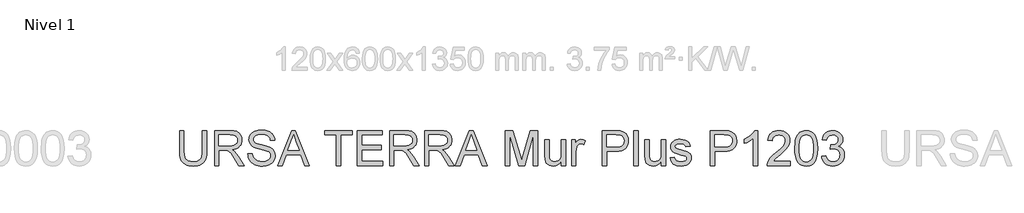
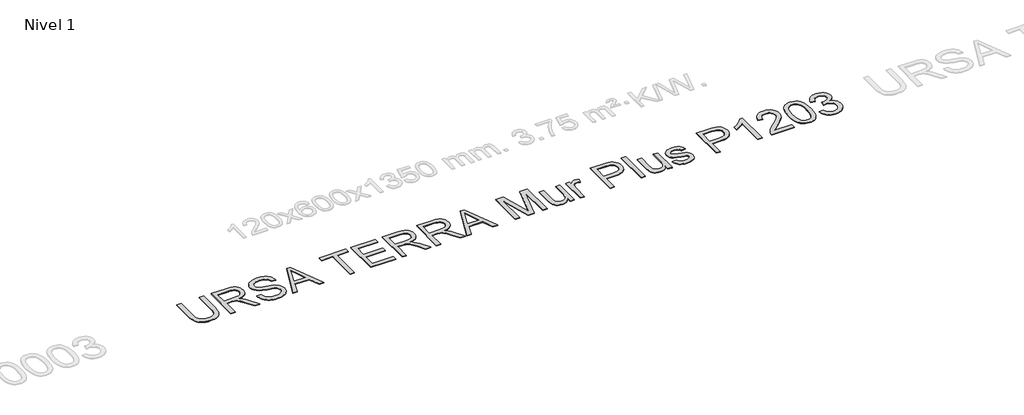
# One storey, part 8 of 15: 1 proxy.
"""IFC4 building model written with IfcOpenShell, lengths in millimetres."""

import ifcopenshell
import ifcopenshell.guid

model = None  # the IFC model being written
_history = None  # IfcOwnerHistory: only IFC2X3 demands one
_inside = {}  # id of a spatial element -> (the spatial element, [elements in it])
_under = {}  # id of a project, library or spatial element -> (it, [spatial elements below it])
_declared = {}  # id of a project -> (the project, [libraries it declares])
_typed = {}  # id of a type object -> (the type object, [elements of that type])
_made_of = {}  # id of a material, layer set ... -> (it, [elements and type objects made of it])


def new_model(schema):
    """Start an empty IFC model of exactly this schema.

    Asked for "IFC4X3", IfcOpenShell would pick the latest addendum, in which some entities
    have other attributes; the version numbers below select the first issue.
    IFC2X3 requires an IfcOwnerHistory on every rooted entity: one is made here for all.
    """
    global model, _history
    if schema == "IFC4X3":
        model = ifcopenshell.file(schema_version=(4, 3, 0, 0))
    else:
        model = ifcopenshell.file(schema=schema)
    _inside.clear()
    _under.clear()
    _declared.clear()
    _typed.clear()
    _made_of.clear()
    _history = None
    if model.schema == "IFC2X3":
        org = make("IfcOrganization", Name="unknown")
        user = make(
            "IfcPersonAndOrganization",
            ThePerson=make("IfcPerson", FamilyName="unknown"),
            TheOrganization=org,
        )
        app = make(
            "IfcApplication",
            ApplicationDeveloper=org,
            Version="unknown",
            ApplicationFullName="unknown",
            ApplicationIdentifier="unknown",
        )
        _history = make(
            "IfcOwnerHistory",
            OwningUser=user,
            OwningApplication=app,
            ChangeAction="ADDED",
            CreationDate=0,
        )
    return model


def make(cls, **values):
    """One entity of the class cls with the attributes given. An attribute that is None is left unset."""
    return model.create_entity(
        cls, **{name: value for name, value in values.items() if value is not None}
    )


def rooted(cls, **values):
    """An entity with a GlobalId (a new one), such as an element, a storey or a relation."""
    return make(cls, GlobalId=ifcopenshell.guid.new(), OwnerHistory=_history, **values)


def si_unit(unit_type, name, prefix=None):
    """IfcSIUnit, for example si_unit("LENGTHUNIT", "METRE", prefix="MILLI")."""
    return make("IfcSIUnit", UnitType=unit_type, Prefix=prefix, Name=name)


def assignment(units):
    """IfcUnitAssignment: the units of a project."""
    return None if units is None else make("IfcUnitAssignment", Units=units)


def point(xyz):
    """IfcCartesianPoint."""
    return None if xyz is None else make("IfcCartesianPoint", Coordinates=xyz)


def direction(xyz):
    """IfcDirection."""
    return None if xyz is None else make("IfcDirection", DirectionRatios=xyz)


def frame(location, z_axis=None, x_axis=None):
    """IfcAxis2Placement3D, a coordinate frame: its origin and axes. An axis left out is left unset."""
    return make(
        "IfcAxis2Placement3D",
        Location=point(location),
        Axis=direction(z_axis),
        RefDirection=direction(x_axis),
    )


def origin():
    """The frame at (0, 0, 0) with its axes left unset."""
    return frame((0.0, 0.0, 0.0))


def origin_with_axes():
    """The frame at (0, 0, 0) with the z axis (0, 0, 1) and the x axis (1, 0, 0) written out."""
    return frame((0.0, 0.0, 0.0), z_axis=(0.0, 0.0, 1.0), x_axis=(1.0, 0.0, 0.0))


def place(relative_to, where):
    """IfcLocalPlacement: puts the frame where relative to a parent placement (None: the world)."""
    return make(
        "IfcLocalPlacement", PlacementRelTo=relative_to, RelativePlacement=where
    )


def context(
    kind, dimensions, precision=None, world=None, true_north=None, identifier=None
):
    """IfcGeometricRepresentationContext, for example the 3D "Model" context."""
    return make(
        "IfcGeometricRepresentationContext",
        ContextIdentifier=identifier,
        ContextType=kind,
        CoordinateSpaceDimension=dimensions,
        Precision=precision,
        WorldCoordinateSystem=world,
        TrueNorth=true_north,
    )


def project(units=None, contexts=None):
    """IfcProject with its units and contexts."""
    return rooted(
        "IfcProject",
        Name="project",
        RepresentationContexts=contexts,
        UnitsInContext=assignment(units),
    )


def spatial(cls, under=None, at=None, **own):
    """A site, building, storey or space (cls), placed at a placement, below another one or the project."""
    s = rooted(cls, ObjectPlacement=at, **own)
    if under is not None:
        _under.setdefault(under.id(), (under, []))[1].append(s)
    return s


def polyline(points):
    """IfcPolyline through the points."""
    return make("IfcPolyline", Points=[point(p) for p in points])


def outline(outer, holes=None, kind="AREA"):
    """IfcArbitraryClosedProfileDef: a profile drawn as a closed curve; with holes, ...WithVoids."""
    if holes is None:
        return make("IfcArbitraryClosedProfileDef", ProfileType=kind, OuterCurve=outer)
    return make(
        "IfcArbitraryProfileDefWithVoids",
        ProfileType=kind,
        OuterCurve=outer,
        InnerCurves=holes,
    )


def extrude(swept, where, along, depth):
    """IfcExtrudedAreaSolid: the profile swept, set in the frame where, extruded along a direction by depth."""
    return make(
        "IfcExtrudedAreaSolid",
        SweptArea=swept,
        Position=where,
        ExtrudedDirection=direction(along),
        Depth=depth,
    )


def shape(context_of_items, identifier, shape_type, items):
    """IfcShapeRepresentation: the items that make up one representation, for example the "Body"."""
    return make(
        "IfcShapeRepresentation",
        ContextOfItems=context_of_items,
        RepresentationIdentifier=identifier,
        RepresentationType=shape_type,
        Items=items,
    )


def made_of(thing, what):
    """Note that an element or type object is made of a material, layer set ...; save() writes the relation."""
    if what is not None:
        _made_of.setdefault(what.id(), (what, []))[1].append(thing)
    return thing


def element(
    cls,
    number,
    at=None,
    inside=None,
    cuts=None,
    type_object=None,
    material=None,
    context=None,
    identifier="Body",
    shape_type=None,
    held_by="IfcProductDefinitionShape",
    body=None,
    shapes=None,
    **own,
):
    """One element of the class cls, such as IfcWall. Its Tag is "e" and its number.

    at: its placement. inside: the storey or other place that contains it. cuts: it is an
    opening in that element (IfcRelVoidsElement). A single representation is given by context,
    identifier, shape_type and body (its items); several are given by shapes. held_by: the class
    of the entity that holds the representations. save() writes the other relations.
    """
    e = rooted(cls, Tag="e%d" % number, ObjectPlacement=at, **own)
    if body is not None:
        shapes = [shape(context, identifier, shape_type, body)]
    if shapes is not None:
        e.Representation = make(held_by, Representations=shapes)
    if inside is not None:
        _inside.setdefault(inside.id(), (inside, []))[1].append(e)
    if cuts is not None:
        rooted(
            "IfcRelVoidsElement", RelatingBuildingElement=cuts, RelatedOpeningElement=e
        )
    if type_object is not None:
        _typed.setdefault(type_object.id(), (type_object, []))[1].append(e)
    return made_of(e, material)


def aggregate(whole, parts):
    """IfcRelAggregates: a whole, such as a stair, and the parts it consists of."""
    return rooted("IfcRelAggregates", RelatingObject=whole, RelatedObjects=parts)


def save(model, path):
    """Write the relations noted so far, then the file.

    IfcRelAggregates (storeys below a building ...), IfcRelContainedInSpatialStructure (elements
    in a storey), IfcRelDefinesByType, IfcRelAssociatesMaterial and IfcRelDeclares: one each for
    every whole, place, type object, material and project.
    """
    for whole, parts in _under.values():
        aggregate(whole, parts)
    for where, things in _inside.values():
        rooted(
            "IfcRelContainedInSpatialStructure",
            RelatedElements=things,
            RelatingStructure=where,
        )
    for kind, things in _typed.values():
        rooted("IfcRelDefinesByType", RelatedObjects=things, RelatingType=kind)
    for what, things in _made_of.values():
        rooted("IfcRelAssociatesMaterial", RelatedObjects=things, RelatingMaterial=what)
    for by, libraries in _declared.values():
        rooted("IfcRelDeclares", RelatingContext=by, RelatedDefinitions=libraries)
    model.write(path)


model = new_model("IFC4")

# Units and contexts
model_context = context("Model", 3, world=origin())
ifc_project = project(units=[si_unit("LENGTHUNIT", "METRE", prefix="MILLI")], contexts=[model_context])

# Site, building, storey
site = spatial("IfcSite", under=ifc_project)
building = spatial("IfcBuilding", under=site)
storey = spatial("IfcBuildingStorey", under=building, Name="Nivel 1", Elevation=0.0)

# Proxy
placement = place(None, origin())
element("IfcBuildingElementProxy", 1, Name="Texto de modelo 3", ObjectType="Texto de modelo 3", at=placement, inside=storey, context=model_context, shape_type="SweptSolid", body=[
    extrude(outline(polyline([(-14672.8884519, -13823.3522814), (-14597.5462193, -13823.3522814), (-14597.5462193, -14171.0743432), (-14602.6597791, -14252.5050228), (-14609.0517287, -14286.1984151), (-14618.0004583, -14315.2105089), (-14630.2785198, -14340.6403518), (-14646.6584657, -14363.5869913), (-14667.1402958, -14384.0504273), (-14691.7240101, -14402.0306598), (-14720.4371998, -14416.6769617), (-14753.3074561, -14427.1386059), (-14790.3347789, -14433.4155925), (-14831.5191683, -14435.5079213), (-14871.6872836, -14433.6869055), (-14908.0202292, -14428.2238578), (-14940.5180049, -14419.1187784), (-14969.1806108, -14406.3716673), (-14994.0126455, -14390.1710639), (-15015.0187074, -14370.7055079), (-15032.1987966, -14347.9749991), (-15045.552913, -14321.9795376), (-15055.5639018, -14291.8270096), (-15062.7146081, -14256.6253012), (-15067.0050319, -14216.3744124), (-15068.4351731, -14171.0743432), (-15068.4351731, -13823.3522814), (-14993.0929405, -13823.3522814), (-14993.0929405, -14168.4255928), (-14989.3773324, -14236.134274), (-14978.2305079, -14283.2783517), (-14969.4657194, -14300.6561775), (-14958.0337864, -14315.9278788), (-14943.9347089, -14329.0934557), (-14927.168487, -14340.1529082), (-14886.9221967, -14355.1624936), (-14838.5825026, -14360.1656887), (-14797.0578224, -14357.6916823), (-14761.952683, -14350.269663), (-14733.2670844, -14337.899631), (-14711.0010266, -14320.581586), (-14694.3267752, -14296.227798), (-14682.4165956, -14262.7505364), (-14675.2704879, -14220.1498014), (-14672.8884519, -14168.4255928), (-14672.8884519, -13823.3522814)])), origin_with_axes(), (0.0, 0.0, 1.0), 10.0),
    extrude(outline(polyline([(-14465.6973122, -14426.0901423), (-14465.6973122, -13823.3522814), (-14205.9726237, -13823.3522814), (-14136.1670151, -13827.4173774), (-14085.3809056, -13839.6126655), (-14065.7819923, -13849.3063561), (-14048.2616123, -13862.1270436), (-14032.8197656, -13878.0747281), (-14019.4564521, -13897.1494096), (-14008.6729111, -13918.3256169), (-14000.9703818, -13940.5778791), (-13996.3488643, -13963.9061961), (-13994.8083584, -13988.310568), (-13997.3605398, -14019.2678379), (-14005.0170838, -14047.686722), (-14017.7779905, -14073.5672204), (-14035.6432599, -14096.909333), (-14058.8428182, -14116.9680988), (-14087.6065917, -14132.9985567), (-14121.9345804, -14145.0007068), (-14161.8267842, -14152.974549), (-14136.9947496, -14169.198145), (-14119.00532, -14185.2010118), (-14088.1400206, -14221.8052703), (-14057.9369088, -14262.7505364), (-13957.4315477, -14426.0901423), (-14044.9874626, -14426.0901423), (-14123.4199039, -14301.1574167), (-14180.0737312, -14218.4575442), (-14201.1349754, -14194.3428794), (-14219.8785631, -14179.3884763), (-14255.7102694, -14165.0410785), (-14299.4146504, -14162.3923281), (-14390.3550796, -14162.3923281), (-14390.3550796, -14426.0901423), (-14465.6973122, -14426.0901423)]), holes=[polyline([(-14390.3550796, -14087.0500955), (-14221.717973, -14087.0500955), (-14173.2863084, -14084.382951), (-14135.7071626, -14076.3815176), (-14107.4170371, -14062.5123664), (-14086.8524336, -14042.2420685), (-14074.3260517, -14017.7227335), (-14070.150591, -13991.1064712), (-14072.1417523, -13971.8386517), (-14078.1152362, -13954.3550598), (-14088.0710427, -13938.6556957), (-14102.0091718, -13924.7405592), (-14120.2515203, -13913.3454144), (-14143.1199848, -13905.2060253), (-14170.6145654, -13900.3223918), (-14202.7352621, -13898.694514), (-14390.3550796, -13898.694514), (-14390.3550796, -14087.0500955)])]), origin_with_axes(), (0.0, 0.0, 1.0), 10.0),
    extrude(outline(polyline([(-13891.2127886, -14218.8990026), (-13815.870556, -14218.8990026), (-13807.2253291, -14260.7087913), (-13791.5903443, -14294.3148116), (-13767.199768, -14320.9862562), (-13732.2877667, -14341.9923182), (-13689.6134552, -14355.6223461), (-13641.9359486, -14360.1656887), (-13599.960613, -14356.7259921), (-13563.2092017, -14346.4069021), (-13533.4291542, -14330.0729415), (-13512.3679099, -14308.588633), (-13499.841528, -14283.9221452), (-13495.6660674, -14258.0416469), (-13498.7930643, -14232.8233361), (-13508.1740552, -14211.0263279), (-13527.2303426, -14192.429893), (-13559.3832289, -14176.8133023), (-13669.0856399, -14148.0449303), (-13741.0985404, -14129.007037), (-13787.1757603, -14110.8888488), (-13824.6813298, -14085.5417793), (-13851.2608039, -14054.8236327), (-13867.0981238, -14019.3965966), (-13872.3772304, -13979.9228585), (-13870.7447541, -13957.4866553), (-13865.847325, -13935.7954132), (-13857.6849432, -13914.8491321), (-13846.2576088, -13894.647812), (-13831.6940803, -13876.014589), (-13814.1231165, -13859.7725989), (-13793.5447174, -13845.9218418), (-13769.958883, -13834.4623176), (-13716.9470875, -13819.0664561), (-13658.2699092, -13813.9345023), (-13594.6999005, -13819.3055794), (-13539.0761428, -13835.4188108), (-13514.7407488, -13847.4209609), (-13493.385199, -13861.9431027), (-13475.0094933, -13878.9852361), (-13459.6136318, -13898.5473612), (-13447.3171762, -13920.0592608), (-13438.2396879, -13942.950718), (-13432.3811671, -13967.2217326), (-13429.7416138, -13992.8723047), (-13505.0838464, -13992.8723047), (-13510.1238298, -13968.8312163), (-13518.9162095, -13947.9171249), (-13531.4609855, -13930.1300305), (-13547.7581579, -13915.4699329), (-13568.1112293, -13904.0104088), (-13592.8237023, -13895.8250344), (-13621.895577, -13890.9138098), (-13655.3268533, -13889.2767349), (-13689.8249874, -13890.8954157), (-13719.3015322, -13895.751458), (-13743.7564879, -13903.8448619), (-13763.1898543, -13915.1756274), (-13777.9971046, -13928.7964582), (-13788.5737119, -13943.7600584), (-13794.9196763, -13960.0664278), (-13797.0349978, -13977.7155665), (-13795.5358787, -13992.8998959), (-13791.0385213, -14006.6678796), (-13783.5429256, -14019.0195175), (-13773.0490917, -14029.9548098), (-13756.5311901, -14040.310688), (-13730.5219331, -14050.7769308), (-13650.0293525, -14072.0405101), (-13566.961598, -14092.2372316), (-13516.7089175, -14109.8587792), (-13473.7586946, -14137.1924114), (-13457.153421, -14153.2596576), (-13443.794706, -14170.9271904), (-13433.5261999, -14190.1030394), (-13426.1915526, -14210.6952341), (-13420.3238348, -14256.1286605), (-13422.0114934, -14279.6961008), (-13427.0744694, -14302.5737624), (-13435.5127626, -14324.7616452), (-13447.3263732, -14346.2597493), (-13462.3083675, -14366.2357416), (-13480.2518118, -14383.8572892), (-13501.1567061, -14399.124392), (-13525.0230506, -14412.03705), (-13551.1564678, -14422.3055562), (-13578.8625806, -14429.6402035), (-13638.9928927, -14435.5079213), (-13677.5331302, -14433.9260288), (-13712.808415, -14429.180351), (-13744.8187471, -14421.2708881), (-13773.5641265, -14410.1976401), (-13799.2192972, -14395.9422127), (-13821.959003, -14378.4862121), (-13841.783244, -14357.829638), (-13858.6920202, -14333.9724907), (-13872.3128511, -14307.6873221), (-13882.2732561, -14279.7466846), (-13888.5732353, -14250.1505781), (-13891.2127886, -14218.8990026)])), origin_with_axes(), (0.0, 0.0, 1.0), 10.0),
    extrude(outline(polyline([(-13377.5023705, -14426.0901423), (-13136.9075457, -13823.3522814), (-13072.7489257, -13823.3522814), (-12832.1541009, -14426.0901423), (-12911.7637646, -14426.0901423), (-12980.7784269, -14237.7345607), (-13229.0251973, -14237.7345607), (-13297.8927068, -14426.0901423), (-13377.5023705, -14426.0901423)]), holes=[polyline([(-13201.3604712, -14162.3923281), (-13008.2960002, -14162.3923281), (-13062.5953826, -14014.2094605), (-13104.8282357, -13898.694514), (-13142.3521992, -14001.2600142), (-13201.3604712, -14162.3923281)])]), origin_with_axes(), (0.0, 0.0, 1.0), 10.0),
    extrude(outline(polyline([(-12365.5325782, -14426.0901423), (-12365.5325782, -13898.694514), (-12563.3059388, -13898.694514), (-12563.3059388, -13823.3522814), (-12092.416985, -13823.3522814), (-12092.416985, -13898.694514), (-12290.1903456, -13898.694514), (-12290.1903456, -14426.0901423), (-12365.5325782, -14426.0901423)])), origin_with_axes(), (0.0, 0.0, 1.0), 10.0),
    extrude(outline(polyline([(-12007.6569733, -14426.0901423), (-12007.6569733, -13823.3522814), (-11574.4391358, -13823.3522814), (-11574.4391358, -13898.694514), (-11932.3147407, -13898.694514), (-11932.3147407, -14077.6323164), (-11593.2746939, -14077.6323164), (-11593.2746939, -14152.974549), (-11932.3147407, -14152.974549), (-11932.3147407, -14350.7479096), (-11565.0213567, -14350.7479096), (-11565.0213567, -14426.0901423), (-12007.6569733, -14426.0901423)])), origin_with_axes(), (0.0, 0.0, 1.0), 10.0),
    extrude(outline(polyline([(-11452.0080078, -14426.0901423), (-11452.0080078, -13823.3522814), (-11192.2833192, -13823.3522814), (-11122.4777106, -13827.4173774), (-11071.6916011, -13839.6126655), (-11052.0926879, -13849.3063561), (-11034.5723078, -13862.1270436), (-11019.1304611, -13878.0747281), (-11005.7671476, -13897.1494096), (-10994.9836066, -13918.3256169), (-10987.2810774, -13940.5778791), (-10982.6595598, -13963.9061961), (-10981.1190539, -13988.310568), (-10983.6712353, -14019.2678379), (-10991.3277793, -14047.686722), (-11004.088686, -14073.5672204), (-11021.9539554, -14096.909333), (-11045.1535137, -14116.9680988), (-11073.9172872, -14132.9985567), (-11108.2452759, -14145.0007068), (-11148.1374797, -14152.974549), (-11123.3054451, -14169.198145), (-11105.3160155, -14185.2010118), (-11074.4507161, -14221.8052703), (-11044.2476043, -14262.7505364), (-10943.7422432, -14426.0901423), (-11031.2981581, -14426.0901423), (-11109.7305994, -14301.1574167), (-11166.3844267, -14218.4575442), (-11187.4456709, -14194.3428794), (-11206.1892586, -14179.3884763), (-11242.0209649, -14165.0410785), (-11285.7253459, -14162.3923281), (-11376.6657751, -14162.3923281), (-11376.6657751, -14426.0901423), (-11452.0080078, -14426.0901423)]), holes=[polyline([(-11376.6657751, -14087.0500955), (-11208.0286686, -14087.0500955), (-11159.5970039, -14084.382951), (-11122.0178581, -14076.3815176), (-11093.7277327, -14062.5123664), (-11073.1631291, -14042.2420685), (-11060.6367472, -14017.7227335), (-11056.4612865, -13991.1064712), (-11058.4524478, -13971.8386517), (-11064.4259317, -13954.3550598), (-11074.3817382, -13938.6556957), (-11088.3198673, -13924.7405592), (-11106.5622158, -13913.3454144), (-11129.4306803, -13905.2060253), (-11156.9252609, -13900.3223918), (-11189.0459576, -13898.694514), (-11376.6657751, -13898.694514), (-11376.6657751, -14087.0500955)])]), origin_with_axes(), (0.0, 0.0, 1.0), 10.0),
    extrude(outline(polyline([(-10849.2701469, -14426.0901423), (-10849.2701469, -13823.3522814), (-10589.5454583, -13823.3522814), (-10519.7398497, -13827.4173774), (-10468.9537402, -13839.6126655), (-10449.354827, -13849.3063561), (-10431.8344469, -13862.1270436), (-10416.3926002, -13878.0747281), (-10403.0292867, -13897.1494096), (-10392.2457457, -13918.3256169), (-10384.5432165, -13940.5778791), (-10379.9216989, -13963.9061961), (-10378.381193, -13988.310568), (-10380.9333744, -14019.2678379), (-10388.5899184, -14047.686722), (-10401.3508251, -14073.5672204), (-10419.2160945, -14096.909333), (-10442.4156528, -14116.9680988), (-10471.1794263, -14132.9985567), (-10505.507415, -14145.0007068), (-10545.3996188, -14152.974549), (-10520.5675842, -14169.198145), (-10502.5781546, -14185.2010118), (-10471.7128552, -14221.8052703), (-10441.5097434, -14262.7505364), (-10341.0043823, -14426.0901423), (-10428.5602972, -14426.0901423), (-10506.9927386, -14301.1574167), (-10563.6465658, -14218.4575442), (-10584.70781, -14194.3428794), (-10603.4513977, -14179.3884763), (-10639.283104, -14165.0410785), (-10682.987485, -14162.3923281), (-10773.9279143, -14162.3923281), (-10773.9279143, -14426.0901423), (-10849.2701469, -14426.0901423)]), holes=[polyline([(-10773.9279143, -14087.0500955), (-10605.2908077, -14087.0500955), (-10556.859143, -14084.382951), (-10519.2799972, -14076.3815176), (-10490.9898718, -14062.5123664), (-10470.4252682, -14042.2420685), (-10457.8988863, -14017.7227335), (-10453.7234256, -13991.1064712), (-10455.7145869, -13971.8386517), (-10461.6880708, -13954.3550598), (-10471.6438773, -13938.6556957), (-10485.5820064, -13924.7405592), (-10503.8243549, -13913.3454144), (-10526.6928194, -13905.2060253), (-10554.1874, -13900.3223918), (-10586.3080967, -13898.694514), (-10773.9279143, -13898.694514), (-10773.9279143, -14087.0500955)])]), origin_with_axes(), (0.0, 0.0, 1.0), 10.0),
    extrude(outline(polyline([(-10316.7241706, -14426.0901423), (-10076.1293458, -13823.3522814), (-10011.9707258, -13823.3522814), (-9771.375901, -14426.0901423), (-9850.9855648, -14426.0901423), (-9920.000227, -14237.7345607), (-10168.2469974, -14237.7345607), (-10237.1145069, -14426.0901423), (-10316.7241706, -14426.0901423)]), holes=[polyline([(-10140.5822714, -14162.3923281), (-9947.5178003, -14162.3923281), (-10001.8171828, -14014.2094605), (-10044.0500358, -13898.694514), (-10081.5739993, -14001.2600142), (-10140.5822714, -14162.3923281)])]), origin_with_axes(), (0.0, 0.0, 1.0), 10.0),
    extrude(outline(polyline([(-9455.4388435, -14426.0901423), (-9455.4388435, -13823.3522814), (-9325.7972284, -13823.3522814), (-9202.4831837, -14248.1824094), (-9177.6143608, -14336.9155466), (-9150.6853987, -14240.8247695), (-9029.4314931, -13823.3522814), (-8899.789878, -13823.3522814), (-8899.789878, -14426.0901423), (-8975.1321106, -14426.0901423), (-8975.1321106, -13898.694514), (-9126.5523398, -14426.0901423), (-9228.6763817, -14426.0901423), (-9380.0966109, -13898.694514), (-9380.0966109, -14426.0901423), (-9455.4388435, -14426.0901423)])), origin_with_axes(), (0.0, 0.0, 1.0), 10.0),
    extrude(outline(polyline([(-8494.8253777, -14426.0901423), (-8494.8253777, -14350.0121457), (-8522.0854336, -14387.4165475), (-8553.8336498, -14414.1339774), (-8590.0700263, -14430.1644354), (-8630.7945631, -14435.5079213), (-8667.4907922, -14431.755525), (-8701.6486354, -14420.4983359), (-8730.3066428, -14403.5757641), (-8750.5033644, -14382.8272196), (-8764.0966041, -14357.627303), (-8772.9441661, -14327.3506147), (-8777.35875, -14257.3058829), (-8777.35875, -13983.4545257), (-8702.0165174, -13983.4545257), (-8702.0165174, -14221.8420585), (-8700.8760832, -14269.5195651), (-8697.4547807, -14298.6558191), (-8686.4735031, -14324.2788001), (-8667.6563391, -14343.7581517), (-8642.2540873, -14356.0638045), (-8611.5175466, -14360.1656887), (-8579.0151723, -14355.971834), (-8548.6097254, -14343.3902697), (-8523.5385675, -14323.5798243), (-8507.03906, -14297.6993259), (-8497.8787983, -14262.2538957), (-8494.8253777, -14213.7486546), (-8494.8253777, -13983.4545257), (-8419.4831451, -13983.4545257), (-8419.4831451, -14426.0901423), (-8494.8253777, -14426.0901423)])), origin_with_axes(), (0.0, 0.0, 1.0), 10.0),
    extrude(outline(polyline([(-8315.8875753, -14426.0901423), (-8315.8875753, -13983.4545257), (-8249.9631217, -13983.4545257), (-8249.9631217, -14048.9375208), (-8225.6093337, -14010.9720989), (-8203.168532, -13988.6048736), (-8180.6541539, -13977.6787783), (-8156.0796366, -13974.0367466), (-8118.5556731, -13979.8492821), (-8080.4430984, -13997.2868887), (-8105.6062268, -14064.830023), (-8132.0937305, -14053.2417401), (-8158.5812341, -14049.3789792), (-8181.0772181, -14053.0945873), (-8201.1819692, -14064.2414118), (-8217.4239593, -14081.973324), (-8228.3316604, -14105.4441953), (-8237.4919221, -14147.5298955), (-8240.5453427, -14193.4415685), (-8240.5453427, -14426.0901423), (-8315.8875753, -14426.0901423)])), origin_with_axes(), (0.0, 0.0, 1.0), 10.0),
    extrude(outline(polyline([(-7788.491947, -14426.0901423), (-7788.491947, -13823.3522814), (-7565.1139995, -13823.3522814), (-7513.0954854, -13824.7870211), (-7475.0564871, -13829.0912405), (-7434.9021673, -13839.8150006), (-7401.8479701, -13857.2710013), (-7375.2317077, -13882.2501888), (-7354.3911927, -13915.5435093), (-7340.9267117, -13954.8149123), (-7336.4385513, -13997.7283471), (-7339.4689793, -14034.7280787), (-7348.5602631, -14068.7663603), (-7363.7124027, -14099.8431919), (-7384.9253983, -14127.9585734), (-7414.0478567, -14151.2638978), (-7452.9283851, -14167.910558), (-7501.5669834, -14177.8985542), (-7559.9636516, -14181.2278863), (-7713.1497144, -14181.2278863), (-7713.1497144, -14426.0901423), (-7788.491947, -14426.0901423)]), holes=[polyline([(-7713.1497144, -14105.8856537), (-7555.5490676, -14105.8856537), (-7519.3126911, -14104.1566083), (-7488.7416973, -14098.9694721), (-7463.8360862, -14090.3242453), (-7444.5958579, -14078.2209276), (-7430.239263, -14062.981416), (-7419.9845524, -14044.9276071), (-7413.8317261, -14024.0595009), (-7411.7807839, -14000.3770974), (-7416.6184322, -13966.5319539), (-7431.1313769, -13937.9843111), (-7453.5169963, -13916.5000025), (-7481.9726686, -13903.8448619), (-7511.0353462, -13899.982101), (-7557.3149012, -13898.694514), (-7713.1497144, -13898.694514), (-7713.1497144, -14105.8856537)])]), origin_with_axes(), (0.0, 0.0, 1.0), 10.0),
    extrude(outline(polyline([(-7242.2607606, -14426.0901423), (-7242.2607606, -13823.3522814), (-7166.9185279, -13823.3522814), (-7166.9185279, -14426.0901423), (-7242.2607606, -14426.0901423)])), origin_with_axes(), (0.0, 0.0, 1.0), 10.0),
    extrude(outline(polyline([(-6771.3718067, -14426.0901423), (-6771.3718067, -14350.0121457), (-6798.6318626, -14387.4165475), (-6830.3800788, -14414.1339774), (-6866.6164553, -14430.1644354), (-6907.3409921, -14435.5079213), (-6944.0372212, -14431.755525), (-6978.1950644, -14420.4983359), (-7006.8530718, -14403.5757641), (-7027.0497934, -14382.8272196), (-7040.6430331, -14357.627303), (-7049.4905951, -14327.3506147), (-7053.905179, -14257.3058829), (-7053.905179, -13983.4545257), (-6978.5629464, -13983.4545257), (-6978.5629464, -14221.8420585), (-6977.4225122, -14269.5195651), (-6974.0012097, -14298.6558191), (-6963.0199321, -14324.2788001), (-6944.2027681, -14343.7581517), (-6918.8005163, -14356.0638045), (-6888.0639756, -14360.1656887), (-6855.5616013, -14355.971834), (-6825.1561544, -14343.3902697), (-6800.0849965, -14323.5798243), (-6783.585489, -14297.6993259), (-6774.4252273, -14262.2538957), (-6771.3718067, -14213.7486546), (-6771.3718067, -13983.4545257), (-6696.0295741, -13983.4545257), (-6696.0295741, -14426.0901423), (-6771.3718067, -14426.0901423)])), origin_with_axes(), (0.0, 0.0, 1.0), 10.0),
    extrude(outline(polyline([(-6620.6873415, -14294.2412352), (-6545.3451089, -14284.8234561), (-6540.7925692, -14302.0035453), (-6533.4625204, -14317.0499189), (-6523.3549626, -14329.9625769), (-6510.4698957, -14340.7415194), (-6494.7705316, -14349.2395935), (-6476.220082, -14355.3096464), (-6430.5659264, -14360.1656887), (-6385.4635938, -14355.7143166), (-6367.9340167, -14350.1501014), (-6353.7521658, -14342.3602002), (-6334.990184, -14323.0096072), (-6330.2996886, -14312.1754824), (-6328.7361901, -14300.5688055), (-6330.3088857, -14290.3968683), (-6335.0269722, -14281.3653654), (-6353.8993186, -14266.7236619), (-6382.1158676, -14257.1587301), (-6431.4488432, -14245.2393534), (-6500.2059881, -14225.3553316), (-6544.9036505, -14208.3775775), (-6573.6168402, -14189.8547191), (-6594.420567, -14165.3353841), (-6607.0573136, -14136.3830711), (-6611.2695624, -14104.5612785), (-6607.8850481, -14075.3698422), (-6597.731505, -14048.422486), (-6581.7286382, -14024.7860678), (-6560.7961527, -14005.5274454), (-6539.9924259, -13993.4057336), (-6512.8979169, -13983.2337965), (-6481.572765, -13976.3360091), (-6448.0771094, -13974.0367466), (-6399.0384394, -13977.7339606), (-6356.4009162, -13988.8256028), (-6322.1143142, -14006.2264212), (-6298.1284081, -14028.8511639), (-6282.2359059, -14058.373694), (-6272.2295157, -14096.4678746), (-6347.5717483, -14105.8856537), (-6357.0814979, -14082.1756591), (-6375.8986619, -14064.3149882), (-6404.2071814, -14053.1129814), (-6442.1909974, -14049.3789792), (-6485.4539201, -14052.9474345), (-6514.2958685, -14063.6528006), (-6530.5194645, -14079.1038444), (-6535.9273298, -14096.909333), (-6533.6832496, -14108.4976158), (-6526.9510091, -14118.8350999), (-6515.4363027, -14128.068938), (-6498.8448247, -14135.4633661), (-6433.9504408, -14151.5030211), (-6323.365113, -14186.9668454), (-6294.1552826, -14203.9262054), (-6272.0087865, -14227.1395593), (-6258.0476648, -14256.6804835), (-6253.3939575, -14292.6225544), (-6258.8570051, -14329.7786359), (-6275.246148, -14364.7274255), (-6301.9359868, -14394.7282022), (-6338.301122, -14417.0402452), (-6382.2262322, -14430.8910023), (-6431.595996, -14435.5079213), (-6472.1457889, -14433.2822353), (-6507.563628, -14426.605177), (-6537.8495132, -14415.4767467), (-6563.0034447, -14399.8969442), (-6583.5496541, -14379.939346), (-6600.0123734, -14355.6775284), (-6612.3916025, -14327.1114915), (-6620.6873415, -14294.2412352)])), origin_with_axes(), (0.0, 0.0, 1.0), 10.0),
    extrude(outline(polyline([(-5923.7716898, -14426.0901423), (-5923.7716898, -13823.3522814), (-5700.3937424, -13823.3522814), (-5648.3752283, -13824.7870211), (-5610.33623, -13829.0912405), (-5570.1819102, -13839.8150006), (-5537.1277129, -13857.2710013), (-5510.5114506, -13882.2501888), (-5489.6709355, -13915.5435093), (-5476.2064545, -13954.8149123), (-5471.7182942, -13997.7283471), (-5474.7487221, -14034.7280787), (-5483.8400059, -14068.7663603), (-5498.9921456, -14099.8431919), (-5520.2051411, -14127.9585734), (-5549.3275996, -14151.2638978), (-5588.2081279, -14167.910558), (-5636.8467262, -14177.8985542), (-5695.2433944, -14181.2278863), (-5848.4294572, -14181.2278863), (-5848.4294572, -14426.0901423), (-5923.7716898, -14426.0901423)]), holes=[polyline([(-5848.4294572, -14105.8856537), (-5690.8288105, -14105.8856537), (-5654.592434, -14104.1566083), (-5624.0214402, -14098.9694721), (-5599.1158291, -14090.3242453), (-5579.8756007, -14078.2209276), (-5565.5190059, -14062.981416), (-5555.2642953, -14044.9276071), (-5549.1114689, -14024.0595009), (-5547.0605268, -14000.3770974), (-5551.898175, -13966.5319539), (-5566.4111197, -13937.9843111), (-5588.7967391, -13916.5000025), (-5617.2524115, -13903.8448619), (-5646.3150891, -13899.982101), (-5692.5946441, -13898.694514), (-5848.4294572, -13898.694514), (-5848.4294572, -14105.8856537)])]), origin_with_axes(), (0.0, 0.0, 1.0), 10.0),
    extrude(outline(polyline([(-5113.8426893, -14426.0901423), (-5189.1849219, -14426.0901423), (-5189.1849219, -13956.3784108), (-5220.6388325, -13981.8174508), (-5260.5540289, -14007.2197025), (-5302.4557882, -14029.421381), (-5339.8693871, -14045.2587008), (-5339.8693871, -13974.0367466), (-5280.6955682, -13941.847072), (-5229.4312121, -13903.5505563), (-5189.019375, -13862.8260194), (-5162.4031126, -13823.3522814), (-5113.8426893, -13823.3522814), (-5113.8426893, -14426.0901423)])), origin_with_axes(), (0.0, 0.0, 1.0), 10.0),
    extrude(outline(polyline([(-4548.7759447, -14350.7479096), (-4548.7759447, -14426.0901423), (-4944.3226659, -14426.0901423), (-4942.6671969, -14399.5658504), (-4936.229262, -14374.1452045), (-4917.6512212, -14333.5494264), (-4890.4647418, -14294.1676588), (-4851.1381565, -14252.9464812), (-4796.1397982, -14206.8324731), (-4714.8378773, -14134.6172375), (-4666.0567247, -14081.3111364), (-4651.8288886, -14059.5325223), (-4641.6661484, -14038.0482137), (-4635.5685044, -14016.8582108), (-4633.5359564, -13995.9625135), (-4635.4535413, -13976.3038194), (-4641.206296, -13958.2362149), (-4650.7942205, -13941.7597), (-4664.2173148, -13926.8742748), (-4680.7306178, -13914.5456294), (-4699.5891686, -13905.7394542), (-4720.7929671, -13900.455749), (-4744.3420133, -13898.694514), (-4769.1510554, -13900.4143623), (-4791.3389382, -13905.5739073), (-4810.9056618, -13914.1731489), (-4827.8512262, -13926.2120872), (-4841.5594291, -13941.286052), (-4851.414068, -13958.990373), (-4857.415143, -13979.3250503), (-4859.5626542, -14002.2900838), (-4934.9048868, -13992.8723047), (-4928.4255652, -13953.9779808), (-4916.6395457, -13919.9948815), (-4899.5468285, -13890.9230068), (-4877.1474136, -13866.7623568), (-4849.9563356, -13847.7704488), (-4818.4886294, -13834.2048002), (-4782.7442951, -13826.0654111), (-4742.7233325, -13823.3522814), (-4702.343685, -13826.3689137), (-4666.4062126, -13835.4188108), (-4634.9109153, -13850.5019726), (-4607.8577931, -13871.6183991), (-4586.1297628, -13897.2045919), (-4570.6097411, -13925.6970524), (-4561.2977281, -13957.0957807), (-4558.1937237, -13991.4007768), (-4561.5414499, -14027.4348182), (-4571.5846284, -14062.8434602), (-4589.408511, -14098.8591075), (-4616.0983498, -14136.7141648), (-4658.6439025, -14181.908468), (-4724.0349272, -14239.9418527), (-4810.7079252, -14312.4146057), (-4844.7002216, -14350.7479096), (-4548.7759447, -14350.7479096)])), origin_with_axes(), (0.0, 0.0, 1.0), 10.0),
    extrude(outline(polyline([(-4473.4337121, -14129.5772541), (-4467.897088, -14033.1002009), (-4460.976308, -13992.1871245), (-4451.2872159, -13956.1576816), (-4438.8711986, -13924.7175666), (-4423.7696427, -13897.5724739), (-4405.9825482, -13874.7224035), (-4385.5099152, -13856.1673553), (-4362.2827657, -13841.8107605), (-4336.232122, -13831.5560498), (-4307.3579839, -13825.4032235), (-4275.6603514, -13823.3522814), (-4229.2336437, -13828.2083237), (-4187.6629782, -13842.7764507), (-4152.8981297, -13866.4864453), (-4126.8888726, -13898.7680904), (-4107.2439741, -13939.3454744), (-4091.5722011, -13987.942686), (-4081.3082934, -14049.6548907), (-4077.8869908, -14129.5772541), (-4083.3684326, -14225.5024844), (-4090.2202347, -14266.277605), (-4099.8127578, -14302.2610627), (-4112.1322061, -14333.7149733), (-4127.1647841, -14360.9014527), (-4144.9104918, -14383.820501), (-4165.3693293, -14402.4721182), (-4188.6240699, -14416.925282), (-4214.7574871, -14427.2489705), (-4243.769581, -14433.4431836), (-4275.6603514, -14435.5079213), (-4317.1574405, -14431.9210719), (-4353.94564, -14421.1605235), (-4386.02495, -14403.2262763), (-4413.3953704, -14378.1183301), (-4439.6621449, -14332.7308889), (-4458.4241267, -14276.1782292), (-4469.6813157, -14208.460351), (-4473.4337121, -14129.5772541)]), holes=[polyline([(-4398.0914794, -14129.4301013), (-4395.8841875, -14194.9268921), (-4389.2623116, -14247.9432861), (-4378.2258517, -14288.4792834), (-4362.7748079, -14316.5348841), (-4344.0864026, -14335.6233611), (-4323.337858, -14349.2579876), (-4300.5291743, -14357.4387634), (-4275.6603514, -14360.1656887), (-4250.7915286, -14357.4295664), (-4227.9828449, -14349.2211994), (-4207.2343003, -14335.5405877), (-4188.545895, -14316.3877313), (-4173.0948512, -14288.2861454), (-4162.0583913, -14247.7593451), (-4155.4365154, -14194.8073304), (-4153.2292235, -14129.4301013), (-4155.362939, -14065.6669545), (-4161.7640857, -14013.5840611), (-4172.4326636, -13973.1814209), (-4187.3686726, -13944.4590342), (-4205.7443783, -13924.4370566), (-4226.7320461, -13910.135644), (-4250.3316761, -13901.5547965), (-4276.5432682, -13898.694514), (-4301.2833324, -13901.2145056), (-4323.70574, -13908.7744806), (-4343.8104911, -13921.374439), (-4361.5975855, -13939.0143806), (-4377.5636641, -13970.2843502), (-4388.968006, -14012.4436269), (-4395.8106111, -14065.4922106), (-4398.0914794, -14129.4301013)])]), origin_with_axes(), (0.0, 0.0, 1.0), 10.0),
    extrude(outline(polyline([(-4011.9625373, -14265.987898), (-3936.6203047, -14256.5701189), (-3919.7529152, -14303.9165317), (-3908.380763, -14321.8231878), (-3895.0496392, -14335.885477), (-3879.4560412, -14346.5080696), (-3861.2964662, -14354.0956358), (-3840.5709143, -14358.6481755), (-3817.2793855, -14360.1656887), (-3789.9825414, -14358.0779584), (-3765.6287533, -14351.8147674), (-3744.2180212, -14341.3761158), (-3725.7503451, -14326.7620036), (-3710.8787154, -14309.0668796), (-3700.2561228, -14289.3851928), (-3693.8825672, -14267.7169433), (-3691.7580487, -14244.062131), (-3693.8641731, -14221.5339574), (-3700.1825464, -14201.0383317), (-3710.7131685, -14182.5752541), (-3725.4560395, -14166.1447245), (-3743.445469, -14152.6572508), (-3763.715767, -14143.0233411), (-3786.2669333, -14137.2429952), (-3811.0989679, -14135.3162133), (-3834.900933, -14137.3763524), (-3863.9268224, -14143.55677), (-3855.539113, -14068.2145373), (-3843.4725835, -14069.0974541), (-3798.3334627, -14063.6895888), (-3757.9768078, -14047.4659928), (-3741.3669358, -14035.1971283), (-3729.5027414, -14020.021996), (-3722.3842248, -14001.9405959), (-3720.0113859, -13980.9529281), (-3721.7312343, -13963.9153932), (-3726.8907792, -13948.4137656), (-3735.4900209, -13934.4480454), (-3747.5289592, -13922.0182325), (-3762.2810272, -13911.8141056), (-3779.019658, -13904.5254436), (-3818.4566078, -13898.694514), (-3839.1131819, -13900.1660419), (-3857.9671341, -13904.5806259), (-3875.0184646, -13911.9382658), (-3890.2671733, -13922.2389617), (-3903.3361812, -13935.4827135), (-3913.8484092, -13951.6695213), (-3921.8038573, -13970.799385), (-3927.2025256, -13992.8723047), (-4002.5447582, -13983.4545257), (-3993.6144228, -13947.4848636), (-3980.3614739, -13915.8010267), (-3962.7859116, -13888.4030152), (-3940.8877358, -13865.2908288), (-3915.3567254, -13846.9427143), (-3886.8826589, -13833.8369182), (-3855.4655366, -13825.9734406), (-3821.1053582, -13823.3522814), (-3773.7405513, -13828.5210234), (-3730.2385054, -13844.0272495), (-3693.5606705, -13868.4914022), (-3666.6684966, -13900.5339239), (-3650.1689891, -13937.4508822), (-3644.6691533, -13976.5383441), (-3649.8930777, -14012.9586617), (-3665.5648506, -14045.9944648), (-3691.4637431, -14074.1374375), (-3727.3690258, -14095.8792634), (-3702.2610797, -14103.733544), (-3680.2065541, -14114.9355507), (-3661.205449, -14129.4852836), (-3645.2577645, -14147.3827427), (-3632.6394121, -14168.1864695), (-3623.6263032, -14191.4550057), (-3618.2184379, -14217.1883513), (-3616.4158161, -14245.3865062), (-3620.0210596, -14283.6094455), (-3630.8367903, -14318.8157525), (-3648.8630081, -14351.005427), (-3674.0997129, -14380.1784693), (-3704.8454507, -14404.3851045), (-3739.3987671, -14421.6755583), (-3777.7596621, -14432.0498306), (-3819.9281358, -14435.5079213), (-3858.0407105, -14432.5556683), (-3892.7687709, -14423.6989093), (-3924.1123169, -14408.9376442), (-3952.0713485, -14388.2718731), (-3975.5146286, -14362.9156066), (-3993.3109202, -14334.0828553), (-4005.460223, -14301.773619), (-4011.9625373, -14265.987898)])), origin_with_axes(), (0.0, 0.0, 1.0), 10.0),
])

save(model, "model.ifc")
